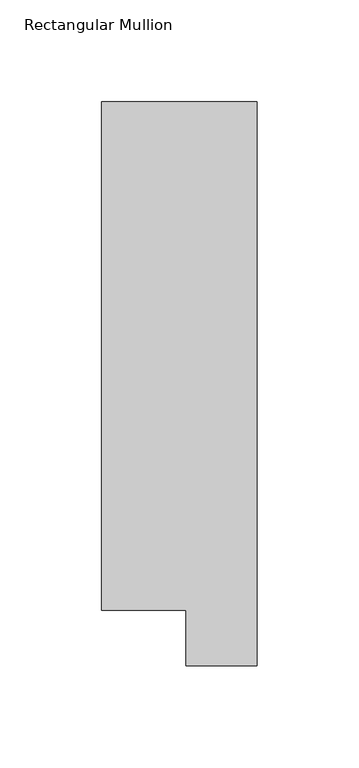
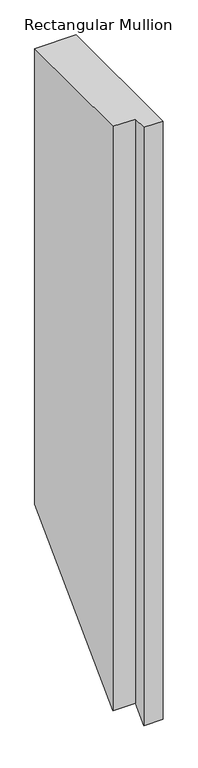
"""IFC4 building model written with IfcOpenShell, lengths in millimetres: member geometry, Rectangular Mullion."""

from ifc_helpers import new_model, si_unit, origin, place, context, project, spatial, faceted_brep, source, transform, mapped, element, save


def rectangular_mullion_06ba0d87(model_context):
    return source(origin(), model_context, "Body", "Brep", [
        faceted_brep([(-3.3e-06, 295.9695326, 0.0), (-76.2000033, 295.9695317, 0.0), (-76.2000003, 46.7447306, 0.0), (-34.9123003, 46.7447311, 0.0), (-34.9123, 19.5667322, 0.0), (0.0, 19.5667326, 0.0), (-3.3e-06, 295.9695326, -885.4498903), (-76.2000033, 295.9695317, -885.4498912), (-76.2000003, 46.7447306, -1134.6746923), (-34.9123003, 46.7447311, -1134.6746918), (-34.9123, 19.5667322, -1161.8526907), (0.0, 19.5667326, -1161.8526903)], [[[0, 1, 2, 3, 4, 5]], [[1, 0, 6, 7]], [[2, 1, 7, 8]], [[3, 2, 8, 9]], [[4, 3, 9, 10]], [[5, 4, 10, 11]], [[0, 5, 11, 6]], [[6, 11, 10, 9, 8, 7]]]),
    ])


if __name__ == "__main__":
    model = new_model("IFC4")
    model_context = context("Model", 3, world=origin())
    ifc_project = project(units=[si_unit("LENGTHUNIT", "METRE", prefix="MILLI")], contexts=[model_context])
    site = spatial("IfcSite", under=ifc_project)
    building = spatial("IfcBuilding", under=site)
    placement = place(None, origin())
    rectangular_mullion_shape = rectangular_mullion_06ba0d87(model_context)
    element("IfcMember", 1, ObjectType="Rectangular Mullion", at=placement, inside=building, context=model_context, shape_type="MappedRepresentation", body=[
        mapped(rectangular_mullion_shape, transform((0.0, 0.0, 0.0), x_axis=(1.0, 0.0, 0.0), y_axis=(0.0, 1.0, 0.0), z_axis=(0.0, 0.0, 1.0))),
    ])
    save(model, "model.ifc")
